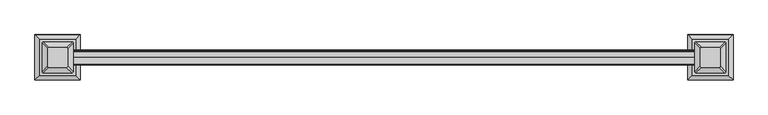
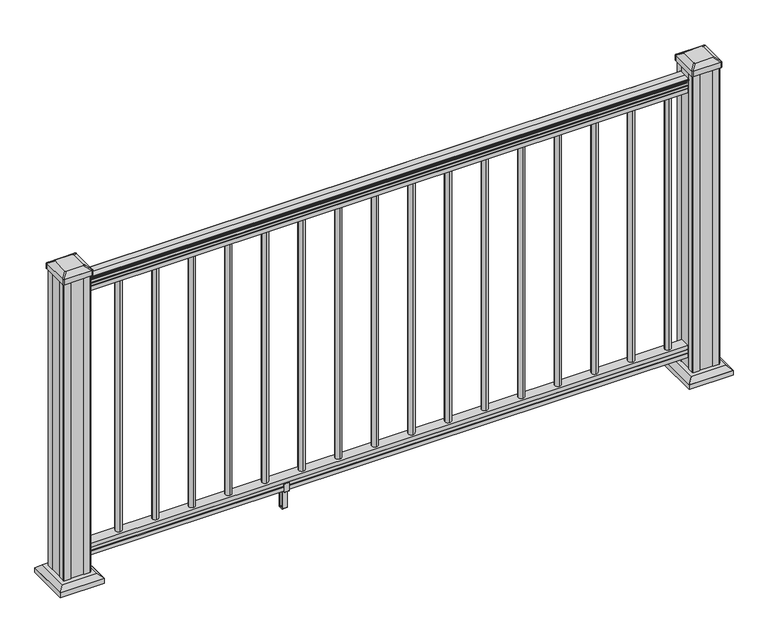
"""IFC4 building model written with IfcOpenShell, lengths in millimetres: railing geometry."""

from ifc_helpers import new_model, si_unit, point, frame, frame_2d, origin, origin_with_axes, place, context, project, spatial, polyline, circle_curve, trimmed, segment, composite_curve, outline, extrude, faceted_brep, source, transform, mapped, element, save
from ifc_brep_helpers import plane_surface, extruded_surface, advanced_brep


def railing_b4131f81(model_context):
    return source(origin(), model_context, "Body", "SolidModel", [
        extrude(outline(composite_curve([segment(trimmed(circle_curve(frame_2d((-20978.7771224, 938.4043297)), 1.2869144), [point((-20977.4902081, 938.4043297))], [point((-20980.0640368, 938.4043297))], False, "CARTESIAN"), True, "CONTINUOUS"), segment(polyline([(-20980.0640368, 938.4043297), (-20980.0640368, 927.747013), (-20979.0480368, 926.731013), (-20979.0480368, 914.4), (-21010.7980368, 914.4), (-21010.7980368, 926.8888283), (-21009.7820368, 927.9048283), (-21009.7820368, 938.4043297)]), True, "CONTINUOUS"), segment(trimmed(circle_curve(frame_2d((-21011.0689512, 938.4043297)), 1.2869144), [point((-21009.7820368, 938.4043297))], [point((-21012.3558655, 938.4043297))], False, "CARTESIAN"), True, "CONTINUOUS"), segment(polyline([(-21012.3558655, 938.4043297), (-21012.3558655, 940.292412)]), True, "CONTINUOUS"), segment(trimmed(circle_curve(frame_2d((-21006.0411123, 946.0506383)), 8.545951), [point((-21012.3558655, 940.292412))], [point((-21013.4860518, 941.8546695))], False, "CARTESIAN"), True, "CONTINUOUS"), segment(trimmed(circle_curve(frame_2d((-21006.4781752, 945.4636577)), 7.882584), [point((-21013.4860518, 941.8546695))], [point((-21013.4860518, 949.0726458))], False, "CARTESIAN"), True, "CONTINUOUS"), segment(trimmed(circle_curve(frame_2d((-21016.9914994, 951.3112527)), 4.1592695), [point((-21013.4860518, 949.0726458))], [point((-21012.8367954, 951.5060812))], True, "CARTESIAN"), True, "CONTINUOUS"), segment(trimmed(circle_curve(frame_2d((-21018.2788059, 951.2508864)), 5.4479907), [point((-21012.8367954, 951.5060812))], [point((-21015.3367954, 955.8362083))], True, "CARTESIAN"), True, "CONTINUOUS"), segment(trimmed(circle_curve(frame_2d((-21017.0456475, 955.833395)), 1.7088543), [point((-21015.3367954, 955.8362083))], [point((-21016.7461379, 957.5157972))], True, "CARTESIAN"), True, "CONTINUOUS"), segment(trimmed(circle_curve(frame_2d((-21015.4287474, 958.6205318)), 1.7192895), [point((-21016.7461379, 957.5157972))], [point((-21017.1480369, 958.6205318))], False, "CARTESIAN"), True, "CONTINUOUS"), segment(polyline([(-21017.1480369, 958.6205318), (-21017.1480368, 959.9608158)]), True, "CONTINUOUS"), segment(trimmed(circle_curve(frame_2d((-21015.5945896, 959.9608158)), 1.5534472), [point((-21017.1480368, 959.9608158))], [point((-21015.5945896, 961.514263))], False, "CARTESIAN"), True, "CONTINUOUS"), segment(polyline([(-21015.5945896, 961.514263), (-20994.9230368, 961.514263), (-20974.251484, 961.514263)]), True, "CONTINUOUS"), segment(trimmed(circle_curve(frame_2d((-20974.251484, 959.9608158)), 1.5534472), [point((-20974.251484, 961.514263))], [point((-20972.6980368, 959.9608158))], False, "CARTESIAN"), True, "CONTINUOUS"), segment(polyline([(-20972.6980368, 959.9608158), (-20972.6980368, 958.6205318)]), True, "CONTINUOUS"), segment(trimmed(circle_curve(frame_2d((-20974.4173262, 958.6205318)), 1.7192895), [point((-20972.6980368, 958.6205318))], [point((-20973.0999357, 957.5157972))], False, "CARTESIAN"), True, "CONTINUOUS"), segment(trimmed(circle_curve(frame_2d((-20972.8004262, 955.833395)), 1.7088543), [point((-20973.0999357, 957.5157972))], [point((-20974.5092782, 955.8362083))], True, "CARTESIAN"), True, "CONTINUOUS"), segment(trimmed(circle_curve(frame_2d((-20971.5672677, 951.2508864)), 5.4479907), [point((-20974.5092782, 955.8362083))], [point((-20977.0092782, 951.5060812))], True, "CARTESIAN"), True, "CONTINUOUS"), segment(trimmed(circle_curve(frame_2d((-20972.8545743, 951.3112527)), 4.1592695), [point((-20977.0092782, 951.5060812))], [point((-20976.3600218, 949.0726458))], True, "CARTESIAN"), True, "CONTINUOUS"), segment(trimmed(circle_curve(frame_2d((-20983.3678984, 945.4636577)), 7.882584), [point((-20976.3600218, 949.0726458))], [point((-20976.3600218, 941.8546695))], False, "CARTESIAN"), True, "CONTINUOUS"), segment(trimmed(circle_curve(frame_2d((-20983.8049614, 946.0506383)), 8.545951), [point((-20976.3600218, 941.8546695))], [point((-20977.4902081, 940.292412))], False, "CARTESIAN"), True, "CONTINUOUS"), segment(polyline([(-20977.4902081, 940.292412), (-20977.4902081, 938.4043297)]), True, "CONTINUOUS")], self_intersect=False)), frame((17163.0024269, 0.0, 0.0), z_axis=(1.0, 0.0, 0.0), x_axis=(0.0, 1.0, 0.0)), (0.0, 0.0, 1.0), 1828.8),
        extrude(outline(polyline([(-20979.0105499, 76.0541976), (-20979.0105499, 63.5), (-21010.7605499, 63.5), (-21010.7605499, 76.0375508), (-21009.7445499, 77.3858283), (-21009.7445499, 87.6975248), (-21010.7605499, 89.0458024), (-21010.7605499, 101.5958781), (-20979.0105499, 101.5958781), (-20979.0105499, 89.0624492), (-20980.0265499, 87.7141717), (-20980.0265499, 77.3546183), (-20979.0105499, 76.0541976)])), frame((17163.0024269, 0.0, 0.0), z_axis=(1.0, 0.0, 0.0), x_axis=(0.0, 1.0, 0.0)), (0.0, 0.0, 1.0), 1828.8),
        extrude(outline(composite_curve([segment(trimmed(circle_curve(frame_2d((17270.6984269, -20994.9230368)), 9.525), [point((17270.6984269, -20985.3980368))], [point((17280.2234269, -20994.9230368))], False, "CARTESIAN"), True, "CONTINUOUS"), segment(trimmed(circle_curve(frame_2d((17270.6984269, -20994.9230368)), 9.525), [point((17280.2234269, -20994.9230368))], [point((17270.6984269, -21004.4480368))], False, "CARTESIAN"), True, "CONTINUOUS"), segment(trimmed(circle_curve(frame_2d((17270.6984269, -20994.9230368)), 9.525), [point((17270.6984269, -21004.4480368))], [point((17261.1734269, -20994.9230368))], False, "CARTESIAN"), True, "CONTINUOUS"), segment(trimmed(circle_curve(frame_2d((17270.6984269, -20994.9230368)), 9.525), [point((17261.1734269, -20994.9230368))], [point((17270.6984269, -20985.3980368))], False, "CARTESIAN"), True, "CONTINUOUS")], self_intersect=False)), frame((0.0, 0.0, 101.5958781), z_axis=(0.0, 0.0, 1.0), x_axis=(1.0, 0.0, 0.0)), (0.0, 0.0, 1.0), 812.8041219),
        extrude(outline(composite_curve([segment(trimmed(circle_curve(frame_2d((17381.9504269, -20994.9230368)), 9.525), [point((17381.9504269, -20985.3980368))], [point((17391.4754269, -20994.9230368))], False, "CARTESIAN"), True, "CONTINUOUS"), segment(trimmed(circle_curve(frame_2d((17381.9504269, -20994.9230368)), 9.525), [point((17391.4754269, -20994.9230368))], [point((17381.9504269, -21004.4480368))], False, "CARTESIAN"), True, "CONTINUOUS"), segment(trimmed(circle_curve(frame_2d((17381.9504269, -20994.9230368)), 9.525), [point((17381.9504269, -21004.4480368))], [point((17372.4254269, -20994.9230368))], False, "CARTESIAN"), True, "CONTINUOUS"), segment(trimmed(circle_curve(frame_2d((17381.9504269, -20994.9230368)), 9.525), [point((17372.4254269, -20994.9230368))], [point((17381.9504269, -20985.3980368))], False, "CARTESIAN"), True, "CONTINUOUS")], self_intersect=False)), frame((0.0, 0.0, 101.5958781), z_axis=(0.0, 0.0, 1.0), x_axis=(1.0, 0.0, 0.0)), (0.0, 0.0, 1.0), 812.8041219),
        extrude(outline(composite_curve([segment(trimmed(circle_curve(frame_2d((17493.2024269, -20994.9230368)), 9.525), [point((17493.2024269, -20985.3980368))], [point((17502.7274269, -20994.9230368))], False, "CARTESIAN"), True, "CONTINUOUS"), segment(trimmed(circle_curve(frame_2d((17493.2024269, -20994.9230368)), 9.525), [point((17502.7274269, -20994.9230368))], [point((17493.2024269, -21004.4480368))], False, "CARTESIAN"), True, "CONTINUOUS"), segment(trimmed(circle_curve(frame_2d((17493.2024269, -20994.9230368)), 9.525), [point((17493.2024269, -21004.4480368))], [point((17483.6774269, -20994.9230368))], False, "CARTESIAN"), True, "CONTINUOUS"), segment(trimmed(circle_curve(frame_2d((17493.2024269, -20994.9230368)), 9.525), [point((17483.6774269, -20994.9230368))], [point((17493.2024269, -20985.3980368))], False, "CARTESIAN"), True, "CONTINUOUS")], self_intersect=False)), frame((0.0, 0.0, 101.5958781), z_axis=(0.0, 0.0, 1.0), x_axis=(1.0, 0.0, 0.0)), (0.0, 0.0, 1.0), 812.8041219),
        extrude(outline(composite_curve([segment(trimmed(circle_curve(frame_2d((17604.4544269, -20994.9230368)), 9.525), [point((17604.4544269, -20985.3980368))], [point((17613.9794269, -20994.9230368))], False, "CARTESIAN"), True, "CONTINUOUS"), segment(trimmed(circle_curve(frame_2d((17604.4544269, -20994.9230368)), 9.525), [point((17613.9794269, -20994.9230368))], [point((17604.4544269, -21004.4480368))], False, "CARTESIAN"), True, "CONTINUOUS"), segment(trimmed(circle_curve(frame_2d((17604.4544269, -20994.9230368)), 9.525), [point((17604.4544269, -21004.4480368))], [point((17594.9294269, -20994.9230368))], False, "CARTESIAN"), True, "CONTINUOUS"), segment(trimmed(circle_curve(frame_2d((17604.4544269, -20994.9230368)), 9.525), [point((17594.9294269, -20994.9230368))], [point((17604.4544269, -20985.3980368))], False, "CARTESIAN"), True, "CONTINUOUS")], self_intersect=False)), frame((0.0, 0.0, 101.5958781), z_axis=(0.0, 0.0, 1.0), x_axis=(1.0, 0.0, 0.0)), (0.0, 0.0, 1.0), 812.8041219),
        extrude(outline(composite_curve([segment(trimmed(circle_curve(frame_2d((17715.7064269, -20994.9230368)), 9.525), [point((17715.7064269, -20985.3980368))], [point((17725.2314269, -20994.9230368))], False, "CARTESIAN"), True, "CONTINUOUS"), segment(trimmed(circle_curve(frame_2d((17715.7064269, -20994.9230368)), 9.525), [point((17725.2314269, -20994.9230368))], [point((17715.7064269, -21004.4480368))], False, "CARTESIAN"), True, "CONTINUOUS"), segment(trimmed(circle_curve(frame_2d((17715.7064269, -20994.9230368)), 9.525), [point((17715.7064269, -21004.4480368))], [point((17706.1814269, -20994.9230368))], False, "CARTESIAN"), True, "CONTINUOUS"), segment(trimmed(circle_curve(frame_2d((17715.7064269, -20994.9230368)), 9.525), [point((17706.1814269, -20994.9230368))], [point((17715.7064269, -20985.3980368))], False, "CARTESIAN"), True, "CONTINUOUS")], self_intersect=False)), frame((0.0, 0.0, 101.5958781), z_axis=(0.0, 0.0, 1.0), x_axis=(1.0, 0.0, 0.0)), (0.0, 0.0, 1.0), 812.8041219),
        extrude(outline(polyline([(-21013.0840356, 88.7203979), (-21011.052036, 88.7203979), (-21010.0360363, 87.7043953), (-21010.0360363, 77.2686081), (-21011.052036, 76.2526073), (-21011.052036, 64.262001), (-21010.2900369, 63.5000019), (-20979.5560358, 63.5000019), (-20978.7940366, 64.262001), (-20978.7940366, 76.2526073), (-20979.8100364, 77.2686081), (-20979.8100364, 87.7043953), (-20978.7940366, 88.7203979), (-20976.762037, 88.7203979), (-20976.000036, 87.9583969), (-20976.000036, 61.4680023), (-20976.762037, 60.7060013), (-20986.7950361, 60.7060013), (-20987.5570362, 59.9440012), (-20987.5570362, 0.762001), (-20988.3190372, 0.0), (-21001.5270364, 0.0), (-21002.2890365, 0.7620001), (-21002.2890365, 59.9440012), (-21003.0510366, 60.7060013), (-21013.0840356, 60.7060013), (-21013.8460367, 61.4680023), (-21013.8460367, 87.9583969), (-21013.0840356, 88.7203979)]), holes=[polyline([(-20991.4940364, 60.7060013), (-20998.3520362, 60.7060013), (-20999.1140363, 59.9440012), (-20999.1140363, 3.9370003), (-20998.3520391, 3.1750031), (-20991.4940364, 3.1750031), (-20990.7320363, 3.9370031), (-20990.7320363, 59.9440012), (-20991.4940364, 60.7060013)])]), frame((17763.9664269, 0.0, 0.0), z_axis=(1.0, 0.0, 0.0), x_axis=(0.0, 1.0, 0.0)), (0.0, 0.0, 1.0), 14.732),
        extrude(outline(composite_curve([segment(trimmed(circle_curve(frame_2d((17826.9584269, -20994.9230368)), 9.525), [point((17826.9584269, -20985.3980368))], [point((17836.4834269, -20994.9230368))], False, "CARTESIAN"), True, "CONTINUOUS"), segment(trimmed(circle_curve(frame_2d((17826.9584269, -20994.9230368)), 9.525), [point((17836.4834269, -20994.9230368))], [point((17826.9584269, -21004.4480368))], False, "CARTESIAN"), True, "CONTINUOUS"), segment(trimmed(circle_curve(frame_2d((17826.9584269, -20994.9230368)), 9.525), [point((17826.9584269, -21004.4480368))], [point((17817.4334269, -20994.9230368))], False, "CARTESIAN"), True, "CONTINUOUS"), segment(trimmed(circle_curve(frame_2d((17826.9584269, -20994.9230368)), 9.525), [point((17817.4334269, -20994.9230368))], [point((17826.9584269, -20985.3980368))], False, "CARTESIAN"), True, "CONTINUOUS")], self_intersect=False)), frame((0.0, 0.0, 101.5958781), z_axis=(0.0, 0.0, 1.0), x_axis=(1.0, 0.0, 0.0)), (0.0, 0.0, 1.0), 812.8041219),
        extrude(outline(composite_curve([segment(trimmed(circle_curve(frame_2d((17938.2104269, -20994.9230368)), 9.525), [point((17938.2104269, -20985.3980368))], [point((17947.7354269, -20994.9230368))], False, "CARTESIAN"), True, "CONTINUOUS"), segment(trimmed(circle_curve(frame_2d((17938.2104269, -20994.9230368)), 9.525), [point((17947.7354269, -20994.9230368))], [point((17938.2104269, -21004.4480368))], False, "CARTESIAN"), True, "CONTINUOUS"), segment(trimmed(circle_curve(frame_2d((17938.2104269, -20994.9230368)), 9.525), [point((17938.2104269, -21004.4480368))], [point((17928.6854269, -20994.9230368))], False, "CARTESIAN"), True, "CONTINUOUS"), segment(trimmed(circle_curve(frame_2d((17938.2104269, -20994.9230368)), 9.525), [point((17928.6854269, -20994.9230368))], [point((17938.2104269, -20985.3980368))], False, "CARTESIAN"), True, "CONTINUOUS")], self_intersect=False)), frame((0.0, 0.0, 101.5958781), z_axis=(0.0, 0.0, 1.0), x_axis=(1.0, 0.0, 0.0)), (0.0, 0.0, 1.0), 812.8041219),
        extrude(outline(composite_curve([segment(trimmed(circle_curve(frame_2d((18049.4624269, -20994.9230368)), 9.525), [point((18049.4624269, -20985.3980368))], [point((18058.9874269, -20994.9230368))], False, "CARTESIAN"), True, "CONTINUOUS"), segment(trimmed(circle_curve(frame_2d((18049.4624269, -20994.9230368)), 9.525), [point((18058.9874269, -20994.9230368))], [point((18049.4624269, -21004.4480368))], False, "CARTESIAN"), True, "CONTINUOUS"), segment(trimmed(circle_curve(frame_2d((18049.4624269, -20994.9230368)), 9.525), [point((18049.4624269, -21004.4480368))], [point((18039.9374269, -20994.9230368))], False, "CARTESIAN"), True, "CONTINUOUS"), segment(trimmed(circle_curve(frame_2d((18049.4624269, -20994.9230368)), 9.525), [point((18039.9374269, -20994.9230368))], [point((18049.4624269, -20985.3980368))], False, "CARTESIAN"), True, "CONTINUOUS")], self_intersect=False)), frame((0.0, 0.0, 101.5958781), z_axis=(0.0, 0.0, 1.0), x_axis=(1.0, 0.0, 0.0)), (0.0, 0.0, 1.0), 812.8041219),
        extrude(outline(composite_curve([segment(trimmed(circle_curve(frame_2d((18160.7144269, -20994.9230368)), 9.525), [point((18160.7144269, -20985.3980368))], [point((18170.2394269, -20994.9230368))], False, "CARTESIAN"), True, "CONTINUOUS"), segment(trimmed(circle_curve(frame_2d((18160.7144269, -20994.9230368)), 9.525), [point((18170.2394269, -20994.9230368))], [point((18160.7144269, -21004.4480368))], False, "CARTESIAN"), True, "CONTINUOUS"), segment(trimmed(circle_curve(frame_2d((18160.7144269, -20994.9230368)), 9.525), [point((18160.7144269, -21004.4480368))], [point((18151.1894269, -20994.9230368))], False, "CARTESIAN"), True, "CONTINUOUS"), segment(trimmed(circle_curve(frame_2d((18160.7144269, -20994.9230368)), 9.525), [point((18151.1894269, -20994.9230368))], [point((18160.7144269, -20985.3980368))], False, "CARTESIAN"), True, "CONTINUOUS")], self_intersect=False)), frame((0.0, 0.0, 101.5958781), z_axis=(0.0, 0.0, 1.0), x_axis=(1.0, 0.0, 0.0)), (0.0, 0.0, 1.0), 812.8041219),
        extrude(outline(composite_curve([segment(trimmed(circle_curve(frame_2d((18271.9664269, -20994.9230368)), 9.525), [point((18271.9664269, -20985.3980368))], [point((18281.4914269, -20994.9230368))], False, "CARTESIAN"), True, "CONTINUOUS"), segment(trimmed(circle_curve(frame_2d((18271.9664269, -20994.9230368)), 9.525), [point((18281.4914269, -20994.9230368))], [point((18271.9664269, -21004.4480368))], False, "CARTESIAN"), True, "CONTINUOUS"), segment(trimmed(circle_curve(frame_2d((18271.9664269, -20994.9230368)), 9.525), [point((18271.9664269, -21004.4480368))], [point((18262.4414269, -20994.9230368))], False, "CARTESIAN"), True, "CONTINUOUS"), segment(trimmed(circle_curve(frame_2d((18271.9664269, -20994.9230368)), 9.525), [point((18262.4414269, -20994.9230368))], [point((18271.9664269, -20985.3980368))], False, "CARTESIAN"), True, "CONTINUOUS")], self_intersect=False)), frame((0.0, 0.0, 101.5958781), z_axis=(0.0, 0.0, 1.0), x_axis=(1.0, 0.0, 0.0)), (0.0, 0.0, 1.0), 812.8041219),
        extrude(outline(composite_curve([segment(trimmed(circle_curve(frame_2d((18383.2184269, -20994.9230368)), 9.525), [point((18383.2184269, -20985.3980368))], [point((18392.7434269, -20994.9230368))], False, "CARTESIAN"), True, "CONTINUOUS"), segment(trimmed(circle_curve(frame_2d((18383.2184269, -20994.9230368)), 9.525), [point((18392.7434269, -20994.9230368))], [point((18383.2184269, -21004.4480368))], False, "CARTESIAN"), True, "CONTINUOUS"), segment(trimmed(circle_curve(frame_2d((18383.2184269, -20994.9230368)), 9.525), [point((18383.2184269, -21004.4480368))], [point((18373.6934269, -20994.9230368))], False, "CARTESIAN"), True, "CONTINUOUS"), segment(trimmed(circle_curve(frame_2d((18383.2184269, -20994.9230368)), 9.525), [point((18373.6934269, -20994.9230368))], [point((18383.2184269, -20985.3980368))], False, "CARTESIAN"), True, "CONTINUOUS")], self_intersect=False)), frame((0.0, 0.0, 101.5958781), z_axis=(0.0, 0.0, 1.0), x_axis=(1.0, 0.0, 0.0)), (0.0, 0.0, 1.0), 812.8041219),
        extrude(outline(composite_curve([segment(trimmed(circle_curve(frame_2d((18494.4704269, -20994.9230368)), 9.525), [point((18494.4704269, -20985.3980368))], [point((18503.9954269, -20994.9230368))], False, "CARTESIAN"), True, "CONTINUOUS"), segment(trimmed(circle_curve(frame_2d((18494.4704269, -20994.9230368)), 9.525), [point((18503.9954269, -20994.9230368))], [point((18494.4704269, -21004.4480368))], False, "CARTESIAN"), True, "CONTINUOUS"), segment(trimmed(circle_curve(frame_2d((18494.4704269, -20994.9230368)), 9.525), [point((18494.4704269, -21004.4480368))], [point((18484.9454269, -20994.9230368))], False, "CARTESIAN"), True, "CONTINUOUS"), segment(trimmed(circle_curve(frame_2d((18494.4704269, -20994.9230368)), 9.525), [point((18484.9454269, -20994.9230368))], [point((18494.4704269, -20985.3980368))], False, "CARTESIAN"), True, "CONTINUOUS")], self_intersect=False)), frame((0.0, 0.0, 101.5958781), z_axis=(0.0, 0.0, 1.0), x_axis=(1.0, 0.0, 0.0)), (0.0, 0.0, 1.0), 812.8041219),
        extrude(outline(composite_curve([segment(trimmed(circle_curve(frame_2d((18605.7224269, -20994.9230368)), 9.525), [point((18605.7224269, -20985.3980368))], [point((18615.2474269, -20994.9230368))], False, "CARTESIAN"), True, "CONTINUOUS"), segment(trimmed(circle_curve(frame_2d((18605.7224269, -20994.9230368)), 9.525), [point((18615.2474269, -20994.9230368))], [point((18605.7224269, -21004.4480368))], False, "CARTESIAN"), True, "CONTINUOUS"), segment(trimmed(circle_curve(frame_2d((18605.7224269, -20994.9230368)), 9.525), [point((18605.7224269, -21004.4480368))], [point((18596.1974269, -20994.9230368))], False, "CARTESIAN"), True, "CONTINUOUS"), segment(trimmed(circle_curve(frame_2d((18605.7224269, -20994.9230368)), 9.525), [point((18596.1974269, -20994.9230368))], [point((18605.7224269, -20985.3980368))], False, "CARTESIAN"), True, "CONTINUOUS")], self_intersect=False)), frame((0.0, 0.0, 101.5958781), z_axis=(0.0, 0.0, 1.0), x_axis=(1.0, 0.0, 0.0)), (0.0, 0.0, 1.0), 812.8041219),
        extrude(outline(composite_curve([segment(trimmed(circle_curve(frame_2d((18716.9744269, -20994.9230368)), 9.525), [point((18716.9744269, -20985.3980368))], [point((18726.4994269, -20994.9230368))], False, "CARTESIAN"), True, "CONTINUOUS"), segment(trimmed(circle_curve(frame_2d((18716.9744269, -20994.9230368)), 9.525), [point((18726.4994269, -20994.9230368))], [point((18716.9744269, -21004.4480368))], False, "CARTESIAN"), True, "CONTINUOUS"), segment(trimmed(circle_curve(frame_2d((18716.9744269, -20994.9230368)), 9.525), [point((18716.9744269, -21004.4480368))], [point((18707.4494269, -20994.9230368))], False, "CARTESIAN"), True, "CONTINUOUS"), segment(trimmed(circle_curve(frame_2d((18716.9744269, -20994.9230368)), 9.525), [point((18707.4494269, -20994.9230368))], [point((18716.9744269, -20985.3980368))], False, "CARTESIAN"), True, "CONTINUOUS")], self_intersect=False)), frame((0.0, 0.0, 101.5958781), z_axis=(0.0, 0.0, 1.0), x_axis=(1.0, 0.0, 0.0)), (0.0, 0.0, 1.0), 812.8041219),
        extrude(outline(composite_curve([segment(trimmed(circle_curve(frame_2d((18828.2264269, -20994.9230368)), 9.525), [point((18828.2264269, -20985.3980368))], [point((18837.7514269, -20994.9230368))], False, "CARTESIAN"), True, "CONTINUOUS"), segment(trimmed(circle_curve(frame_2d((18828.2264269, -20994.9230368)), 9.525), [point((18837.7514269, -20994.9230368))], [point((18828.2264269, -21004.4480368))], False, "CARTESIAN"), True, "CONTINUOUS"), segment(trimmed(circle_curve(frame_2d((18828.2264269, -20994.9230368)), 9.525), [point((18828.2264269, -21004.4480368))], [point((18818.7014269, -20994.9230368))], False, "CARTESIAN"), True, "CONTINUOUS"), segment(trimmed(circle_curve(frame_2d((18828.2264269, -20994.9230368)), 9.525), [point((18818.7014269, -20994.9230368))], [point((18828.2264269, -20985.3980368))], False, "CARTESIAN"), True, "CONTINUOUS")], self_intersect=False)), frame((0.0, 0.0, 101.5958781), z_axis=(0.0, 0.0, 1.0), x_axis=(1.0, 0.0, 0.0)), (0.0, 0.0, 1.0), 812.8041219),
        extrude(outline(composite_curve([segment(trimmed(circle_curve(frame_2d((18939.4784269, -20994.9230368)), 9.525), [point((18939.4784269, -20985.3980368))], [point((18949.0034269, -20994.9230368))], False, "CARTESIAN"), True, "CONTINUOUS"), segment(trimmed(circle_curve(frame_2d((18939.4784269, -20994.9230368)), 9.525), [point((18949.0034269, -20994.9230368))], [point((18939.4784269, -21004.4480368))], False, "CARTESIAN"), True, "CONTINUOUS"), segment(trimmed(circle_curve(frame_2d((18939.4784269, -20994.9230368)), 9.525), [point((18939.4784269, -21004.4480368))], [point((18929.9534269, -20994.9230368))], False, "CARTESIAN"), True, "CONTINUOUS"), segment(trimmed(circle_curve(frame_2d((18939.4784269, -20994.9230368)), 9.525), [point((18929.9534269, -20994.9230368))], [point((18939.4784269, -20985.3980368))], False, "CARTESIAN"), True, "CONTINUOUS")], self_intersect=False)), frame((0.0, 0.0, 101.5958781), z_axis=(0.0, 0.0, 1.0), x_axis=(1.0, 0.0, 0.0)), (0.0, 0.0, 1.0), 812.8041219),
        faceted_brep([(17174.1863644, -20942.3370993, 28.575), (17069.0144894, -20942.3370993, 28.575), (17069.0144894, -21047.5089743, 28.575), (17174.1863644, -21047.5089743, 28.575), (17188.2258176, -20928.2976462, 15.24), (17188.2258176, -21061.5484274, 15.24), (17054.9750363, -21061.5484274, 15.24), (17054.9750363, -20928.2976462, 15.24)], [[[0, 1, 2, 3]], [[4, 5, 6, 7]], [[4, 0, 3, 5]], [[5, 3, 2, 6]], [[6, 2, 1, 7]], [[7, 1, 0, 4]]]),
        extrude(outline(polyline([(17188.2258176, -20928.2976462), (17188.2258176, -21061.5484274), (17054.9750363, -21061.5484274), (17054.9750363, -20928.2976462), (17188.2258176, -20928.2976462)])), origin_with_axes(), (0.0, 0.0, 1.0), 15.24),
        advanced_brep(
        [(17150.5723019, -21020.7199118, 1012.825), (17150.5723019, -20969.1261618, 1012.825), (17147.3973019, -20965.9511618, 1012.825), (17095.8035519, -20965.9511618, 1012.825), (17092.6285519, -20969.1261618, 1012.825), (17092.6285519, -21020.7199118, 1012.825), (17095.8035519, -21023.8949118, 1012.825), (17147.3973019, -21023.8949118, 1012.825), (17166.8441769, -21036.9917868, 1001.522), (17163.6691769, -21040.1667868, 1001.522), (17079.5316769, -21040.1667868, 1001.522), (17076.3566769, -21036.9917868, 1001.522), (17076.3566769, -20952.8542868, 1001.522), (17079.5316769, -20949.6792868, 1001.522), (17163.6691769, -20949.6792868, 1001.522), (17166.8441769, -20952.8542868, 1001.522)],
        [
            (0, 1),
            (1, 2, circle_curve(frame((17147.3973019, -20969.1261618, 1012.825), z_axis=(0.0, 0.0, 1.0), x_axis=(-1.0, 0.0, 0.0)), 3.175)),
            (2, 3),
            (3, 4, circle_curve(frame((17095.8035519, -20969.1261618, 1012.825), z_axis=(0.0, 0.0, 1.0), x_axis=(-1.0, 0.0, 0.0)), 3.175)),
            (4, 5),
            (5, 6, circle_curve(frame((17095.8035519, -21020.7199118, 1012.825), z_axis=(0.0, 0.0, 1.0), x_axis=(-1.0, 0.0, 0.0)), 3.175)),
            (6, 7),
            (7, 0, circle_curve(frame((17147.3973019, -21020.7199118, 1012.825), z_axis=(0.0, 0.0, 1.0), x_axis=(-1.0, 0.0, 0.0)), 3.175)),
            (8, 9, circle_curve(frame((17163.6691769, -21036.9917868, 1001.522), z_axis=(0.0, 0.0, -1.0), x_axis=(-1.0, 0.0, 0.0)), 3.175)),
            (9, 10),
            (10, 11, circle_curve(frame((17079.5316769, -21036.9917868, 1001.522), z_axis=(0.0, 0.0, -1.0), x_axis=(-1.0, 0.0, 0.0)), 3.175)),
            (11, 12),
            (12, 13, circle_curve(frame((17079.5316769, -20952.8542868, 1001.522), z_axis=(0.0, 0.0, -1.0), x_axis=(-1.0, 0.0, 0.0)), 3.175)),
            (13, 14),
            (14, 15, circle_curve(frame((17163.6691769, -20952.8542868, 1001.522), z_axis=(0.0, 0.0, -1.0), x_axis=(-1.0, 0.0, 0.0)), 3.175)),
            (15, 8),
            (8, 0),
            (7, 9),
            (6, 10),
            (5, 11),
            (4, 12),
            (3, 13),
            (2, 14),
            (1, 15),
        ],
        [
            plane_surface(frame((17121.6004269, -20994.9230368, 1012.825), z_axis=(0.0, 0.0, 1.0), x_axis=(0.0, -1.0, 0.0))),
            plane_surface(frame((17121.6004269, -20994.9230368, 1001.522), z_axis=(0.0, 0.0, -1.0), x_axis=(0.0, -1.0, 0.0))),
            extruded_surface(trimmed(circle_curve(frame((17147.3973019, -21020.7199118, 1012.825), z_axis=(0.0, 0.0, -1.0), x_axis=(-1.0, 0.0, 0.0)), 3.175), [point((17150.5723019, -21020.7199118, 1012.825))], [point((17147.3973019, -21023.8949118, 1012.825))], True, "CARTESIAN"), (16.271874999998545, -16.271875000002183, -11.302999999999997), 25.63797263886662),
            plane_surface(frame((17121.6004269, -21040.1667868, 1001.522), z_axis=(0.0, -0.5705009161540779, 0.8212969649690408), x_axis=(-1.0, 0.0, 0.0))),
            extruded_surface(trimmed(circle_curve(frame((17095.8035519, -21020.7199118, 1012.825), z_axis=(0.0, 0.0, -1.0), x_axis=(-1.0, 0.0, 0.0)), 3.175), [point((17095.8035519, -21023.8949118, 1012.825))], [point((17092.6285519, -21020.7199118, 1012.825))], True, "CARTESIAN"), (-16.271875000002183, -16.271875000002183, -11.302999999999997), 25.637972638868934),
            plane_surface(frame((17076.3566769, -20994.9230368, 1001.522), z_axis=(-0.5705009161540291, 0.0, 0.8212969649690747), x_axis=(0.0, 1.0, 0.0))),
            extruded_surface(trimmed(circle_curve(frame((17095.8035519, -20969.1261618, 1012.825), z_axis=(0.0, 0.0, -1.0), x_axis=(-1.0, 0.0, 0.0)), 3.175), [point((17092.6285519, -20969.1261618, 1012.825))], [point((17095.8035519, -20965.9511618, 1012.825))], True, "CARTESIAN"), (-16.271875000002183, 16.271874999998545, -11.302999999999997), 25.63797263886662),
            plane_surface(frame((17121.6004269, -20949.6792868, 1001.522), z_axis=(0.0, 0.5705009161540141, 0.8212969649690851), x_axis=(1.0, 0.0, 0.0))),
            extruded_surface(trimmed(circle_curve(frame((17147.3973019, -20969.1261618, 1012.825), z_axis=(0.0, 0.0, -1.0), x_axis=(-1.0, 0.0, 0.0)), 3.175), [point((17147.3973019, -20965.9511618, 1012.825))], [point((17150.5723019, -20969.1261618, 1012.825))], True, "CARTESIAN"), (16.271874999998545, 16.271874999998545, -11.302999999999997), 25.637972638864316),
            plane_surface(frame((17166.8441769, -20994.9230368, 1001.522), z_axis=(0.570500916154034, 0.0, 0.8212969649690713), x_axis=(0.0, -1.0, 0.0))),
        ],
        [
            (0, [[1, 2, 3, 4, 5, 6, 7, 8]]),
            (1, [[9, 10, 11, 12, 13, 14, 15, 16]]),
            (2, [[17, -8, 18, -9]]),
            (3, [[-18, -7, 19, -10]]),
            (4, [[-19, -6, 20, -11]]),
            (5, [[-20, -5, 21, -12]]),
            (6, [[-21, -4, 22, -13]]),
            (7, [[-22, -3, 23, -14]]),
            (8, [[-23, -2, 24, -15]]),
            (9, [[-24, -1, -17, -16]]),
        ],
    ),
        extrude(outline(composite_curve([segment(trimmed(circle_curve(frame_2d((17163.6691769, -21036.9917868)), 3.175), [point((17166.8441769, -21036.9917868))], [point((17163.6691769, -21040.1667868))], False, "CARTESIAN"), True, "CONTINUOUS"), segment(polyline([(17163.6691769, -21040.1667868), (17079.5316769, -21040.1667868)]), True, "CONTINUOUS"), segment(trimmed(circle_curve(frame_2d((17079.5316769, -21036.9917868)), 3.175), [point((17079.5316769, -21040.1667868))], [point((17076.3566769, -21036.9917868))], False, "CARTESIAN"), True, "CONTINUOUS"), segment(polyline([(17076.3566769, -21036.9917868), (17076.3566769, -20952.8542868)]), True, "CONTINUOUS"), segment(trimmed(circle_curve(frame_2d((17079.5316769, -20952.8542868)), 3.175), [point((17076.3566769, -20952.8542868))], [point((17079.5316769, -20949.6792868))], False, "CARTESIAN"), True, "CONTINUOUS"), segment(polyline([(17079.5316769, -20949.6792868), (17163.6691769, -20949.6792868)]), True, "CONTINUOUS"), segment(trimmed(circle_curve(frame_2d((17163.6691769, -20952.8542868)), 3.175), [point((17163.6691769, -20949.6792868))], [point((17166.8441769, -20952.8542868))], False, "CARTESIAN"), True, "CONTINUOUS"), segment(polyline([(17166.8441769, -20952.8542868), (17166.8441769, -21036.9917868)]), True, "CONTINUOUS")], self_intersect=False)), frame((0.0, 0.0, 984.25), z_axis=(0.0, 0.0, 1.0), x_axis=(1.0, 0.0, 0.0)), (0.0, 0.0, 1.0), 17.272),
        extrude(outline(polyline([(17162.8754269, -21034.6105368), (17161.2879269, -21036.1980368), (17141.6664269, -21036.1980368), (17140.9044269, -21034.6105368), (17102.2964269, -21034.6105368), (17101.5344269, -21036.1980368), (17081.9129269, -21036.1980368), (17080.3254269, -21034.6105368), (17080.3254269, -21014.9890368), (17081.9129269, -21014.2270368), (17081.9129269, -20975.6190368), (17080.3254269, -20974.8570368), (17080.3254269, -20955.2355368), (17081.9129269, -20953.6480368), (17101.5344269, -20953.6480368), (17102.2964269, -20955.2355368), (17140.9044269, -20955.2355368), (17141.6664269, -20953.6480368), (17161.2879269, -20953.6480368), (17162.8754269, -20955.2355368), (17162.8754269, -20974.8570368), (17161.2879269, -20975.6190368), (17161.2879269, -21014.2270368), (17162.8754269, -21014.9890368), (17162.8754269, -21034.6105368)])), origin_with_axes(), (0.0, 0.0, 1.0), 984.25),
        faceted_brep([(19085.7903644, -20942.3370993, 28.575), (18980.6184894, -20942.3370993, 28.575), (18980.6184894, -21047.5089743, 28.575), (19085.7903644, -21047.5089743, 28.575), (19099.8298176, -20928.2976462, 15.24), (19099.8298176, -21061.5484274, 15.24), (18966.5790363, -21061.5484274, 15.24), (18966.5790363, -20928.2976462, 15.24)], [[[0, 1, 2, 3]], [[4, 5, 6, 7]], [[4, 0, 3, 5]], [[5, 3, 2, 6]], [[6, 2, 1, 7]], [[7, 1, 0, 4]]]),
        extrude(outline(polyline([(19099.8298176, -20928.2976462), (19099.8298176, -21061.5484274), (18966.5790363, -21061.5484274), (18966.5790363, -20928.2976462), (19099.8298176, -20928.2976462)])), origin_with_axes(), (0.0, 0.0, 1.0), 15.24),
        advanced_brep(
        [(19062.1763019, -21020.7199118, 1012.825), (19062.1763019, -20969.1261618, 1012.825), (19059.0013019, -20965.9511618, 1012.825), (19007.4075519, -20965.9511618, 1012.825), (19004.2325519, -20969.1261618, 1012.825), (19004.2325519, -21020.7199118, 1012.825), (19007.4075519, -21023.8949118, 1012.825), (19059.0013019, -21023.8949118, 1012.825), (19078.4481769, -21036.9917868, 1001.522), (19075.2731769, -21040.1667868, 1001.522), (18991.1356769, -21040.1667868, 1001.522), (18987.9606769, -21036.9917868, 1001.522), (18987.9606769, -20952.8542868, 1001.522), (18991.1356769, -20949.6792868, 1001.522), (19075.2731769, -20949.6792868, 1001.522), (19078.4481769, -20952.8542868, 1001.522)],
        [
            (0, 1),
            (1, 2, circle_curve(frame((19059.0013019, -20969.1261618, 1012.825), z_axis=(0.0, 0.0, 1.0), x_axis=(-1.0, 0.0, 0.0)), 3.175)),
            (2, 3),
            (3, 4, circle_curve(frame((19007.4075519, -20969.1261618, 1012.825), z_axis=(0.0, 0.0, 1.0), x_axis=(-1.0, 0.0, 0.0)), 3.175)),
            (4, 5),
            (5, 6, circle_curve(frame((19007.4075519, -21020.7199118, 1012.825), z_axis=(0.0, 0.0, 1.0), x_axis=(-1.0, 0.0, 0.0)), 3.175)),
            (6, 7),
            (7, 0, circle_curve(frame((19059.0013019, -21020.7199118, 1012.825), z_axis=(0.0, 0.0, 1.0), x_axis=(-1.0, 0.0, 0.0)), 3.175)),
            (8, 9, circle_curve(frame((19075.2731769, -21036.9917868, 1001.522), z_axis=(0.0, 0.0, -1.0), x_axis=(-1.0, 0.0, 0.0)), 3.175)),
            (9, 10),
            (10, 11, circle_curve(frame((18991.1356769, -21036.9917868, 1001.522), z_axis=(0.0, 0.0, -1.0), x_axis=(-1.0, 0.0, 0.0)), 3.175)),
            (11, 12),
            (12, 13, circle_curve(frame((18991.1356769, -20952.8542868, 1001.522), z_axis=(0.0, 0.0, -1.0), x_axis=(-1.0, 0.0, 0.0)), 3.175)),
            (13, 14),
            (14, 15, circle_curve(frame((19075.2731769, -20952.8542868, 1001.522), z_axis=(0.0, 0.0, -1.0), x_axis=(-1.0, 0.0, 0.0)), 3.175)),
            (15, 8),
            (8, 0),
            (7, 9),
            (6, 10),
            (5, 11),
            (4, 12),
            (3, 13),
            (2, 14),
            (1, 15),
        ],
        [
            plane_surface(frame((19033.2044269, -20994.9230368, 1012.825), z_axis=(0.0, 0.0, 1.0), x_axis=(0.0, -1.0, 0.0))),
            plane_surface(frame((19033.2044269, -20994.9230368, 1001.522), z_axis=(0.0, 0.0, -1.0), x_axis=(0.0, -1.0, 0.0))),
            extruded_surface(trimmed(circle_curve(frame((19059.0013019, -21020.7199118, 1012.825), z_axis=(0.0, 0.0, -1.0), x_axis=(-1.0, 0.0, 0.0)), 3.175), [point((19062.1763019, -21020.7199118, 1012.825))], [point((19059.0013019, -21023.8949118, 1012.825))], True, "CARTESIAN"), (16.271874999998545, -16.271875000002183, -11.302999999999997), 25.63797263886662),
            plane_surface(frame((19033.2044269, -21040.1667868, 1001.522), z_axis=(0.0, -0.5705009161540779, 0.8212969649690408), x_axis=(-1.0, 0.0, 0.0))),
            extruded_surface(trimmed(circle_curve(frame((19007.4075519, -21020.7199118, 1012.825), z_axis=(0.0, 0.0, -1.0), x_axis=(-1.0, 0.0, 0.0)), 3.175), [point((19007.4075519, -21023.8949118, 1012.825))], [point((19004.2325519, -21020.7199118, 1012.825))], True, "CARTESIAN"), (-16.271874999998545, -16.271875000002183, -11.302999999999997), 25.63797263886662),
            plane_surface(frame((18987.9606769, -20994.9230368, 1001.522), z_axis=(-0.5705009161540291, 0.0, 0.8212969649690747), x_axis=(0.0, 1.0, 0.0))),
            extruded_surface(trimmed(circle_curve(frame((19007.4075519, -20969.1261618, 1012.825), z_axis=(0.0, 0.0, -1.0), x_axis=(-1.0, 0.0, 0.0)), 3.175), [point((19004.2325519, -20969.1261618, 1012.825))], [point((19007.4075519, -20965.9511618, 1012.825))], True, "CARTESIAN"), (-16.271874999998545, 16.271874999998545, -11.302999999999997), 25.637972638864316),
            plane_surface(frame((19033.2044269, -20949.6792868, 1001.522), z_axis=(0.0, 0.5705009161540141, 0.8212969649690851), x_axis=(1.0, 0.0, 0.0))),
            extruded_surface(trimmed(circle_curve(frame((19059.0013019, -20969.1261618, 1012.825), z_axis=(0.0, 0.0, -1.0), x_axis=(-1.0, 0.0, 0.0)), 3.175), [point((19059.0013019, -20965.9511618, 1012.825))], [point((19062.1763019, -20969.1261618, 1012.825))], True, "CARTESIAN"), (16.271874999998545, 16.271874999998545, -11.302999999999997), 25.637972638864316),
            plane_surface(frame((19078.4481769, -20994.9230368, 1001.522), z_axis=(0.570500916154034, 0.0, 0.8212969649690713), x_axis=(0.0, -1.0, 0.0))),
        ],
        [
            (0, [[1, 2, 3, 4, 5, 6, 7, 8]]),
            (1, [[9, 10, 11, 12, 13, 14, 15, 16]]),
            (2, [[17, -8, 18, -9]]),
            (3, [[-18, -7, 19, -10]]),
            (4, [[-19, -6, 20, -11]]),
            (5, [[-20, -5, 21, -12]]),
            (6, [[-21, -4, 22, -13]]),
            (7, [[-22, -3, 23, -14]]),
            (8, [[-23, -2, 24, -15]]),
            (9, [[-24, -1, -17, -16]]),
        ],
    ),
        extrude(outline(composite_curve([segment(trimmed(circle_curve(frame_2d((19075.2731769, -21036.9917868)), 3.175), [point((19078.4481769, -21036.9917868))], [point((19075.2731769, -21040.1667868))], False, "CARTESIAN"), True, "CONTINUOUS"), segment(polyline([(19075.2731769, -21040.1667868), (18991.1356769, -21040.1667868)]), True, "CONTINUOUS"), segment(trimmed(circle_curve(frame_2d((18991.1356769, -21036.9917868)), 3.175), [point((18991.1356769, -21040.1667868))], [point((18987.9606769, -21036.9917868))], False, "CARTESIAN"), True, "CONTINUOUS"), segment(polyline([(18987.9606769, -21036.9917868), (18987.9606769, -20952.8542868)]), True, "CONTINUOUS"), segment(trimmed(circle_curve(frame_2d((18991.1356769, -20952.8542868)), 3.175), [point((18987.9606769, -20952.8542868))], [point((18991.1356769, -20949.6792868))], False, "CARTESIAN"), True, "CONTINUOUS"), segment(polyline([(18991.1356769, -20949.6792868), (19075.2731769, -20949.6792868)]), True, "CONTINUOUS"), segment(trimmed(circle_curve(frame_2d((19075.2731769, -20952.8542868)), 3.175), [point((19075.2731769, -20949.6792868))], [point((19078.4481769, -20952.8542868))], False, "CARTESIAN"), True, "CONTINUOUS"), segment(polyline([(19078.4481769, -20952.8542868), (19078.4481769, -21036.9917868)]), True, "CONTINUOUS")], self_intersect=False)), frame((0.0, 0.0, 984.25), z_axis=(0.0, 0.0, 1.0), x_axis=(1.0, 0.0, 0.0)), (0.0, 0.0, 1.0), 17.272),
        extrude(outline(polyline([(19074.4794269, -21034.6105368), (19072.8919269, -21036.1980368), (19053.2704269, -21036.1980368), (19052.5084269, -21034.6105368), (19013.9004269, -21034.6105368), (19013.1384269, -21036.1980368), (18993.5169269, -21036.1980368), (18991.9294269, -21034.6105368), (18991.9294269, -21014.9890368), (18993.5169269, -21014.2270368), (18993.5169269, -20975.6190368), (18991.9294269, -20974.8570368), (18991.9294269, -20955.2355368), (18993.5169269, -20953.6480368), (19013.1384269, -20953.6480368), (19013.9004269, -20955.2355368), (19052.5084269, -20955.2355368), (19053.2704269, -20953.6480368), (19072.8919269, -20953.6480368), (19074.4794269, -20955.2355368), (19074.4794269, -20974.8570368), (19072.8919269, -20975.6190368), (19072.8919269, -21014.2270368), (19074.4794269, -21014.9890368), (19074.4794269, -21034.6105368)])), origin_with_axes(), (0.0, 0.0, 1.0), 984.25),
    ])


if __name__ == "__main__":
    model = new_model("IFC4")
    model_context = context("Model", 3, world=origin())
    ifc_project = project(units=[si_unit("LENGTHUNIT", "METRE", prefix="MILLI")], contexts=[model_context])
    site = spatial("IfcSite", under=ifc_project)
    building = spatial("IfcBuilding", under=site)
    placement = place(None, origin())
    railing_shape = railing_b4131f81(model_context)
    element("IfcRailing", 1, at=placement, inside=building, context=model_context, shape_type="MappedRepresentation", body=[
        mapped(railing_shape, transform((0.0, 0.0, 0.0), x_axis=(1.0, 0.0, 0.0), y_axis=(0.0, 1.0, 0.0), z_axis=(0.0, 0.0, 1.0))),
    ])
    save(model, "model.ifc")
